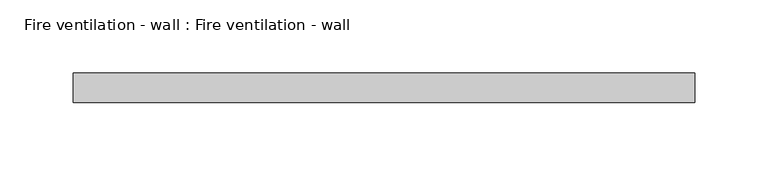
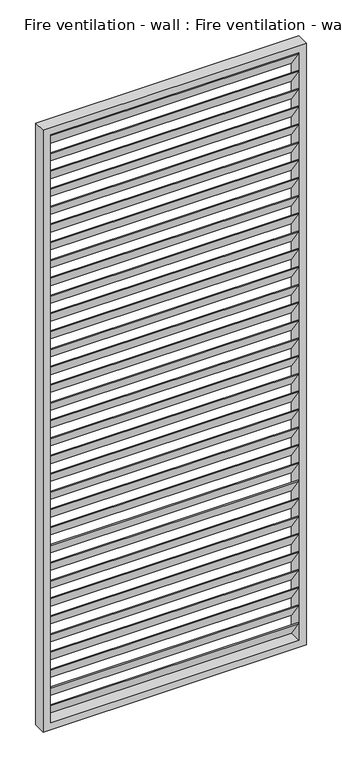
"""IFC4 building model written with IfcOpenShell, lengths in millimetres: proxy geometry, Fire ventilation - wall : Fire ventilation - wall."""

from ifc_helpers import new_model, si_unit, frame, origin, place, context, project, spatial, polyline, outline, extrude, source, transform, mapped, element, save


def fire_ventilation_wall_fire_ventilation_wall_8f12fa9f(model_context):
    return source(origin(), model_context, "Body", "SweptSolid", [
        extrude(outline(polyline([(82.5, 232.0463716), (82.5, 230.3029248), (62.5, 258.8658849), (62.5, 260.6093317), (82.5, 232.0463716)])), frame((-75.0, 0.0, 0.0), z_axis=(1.0, 0.0, 0.0), x_axis=(0.0, 1.0, 0.0)), (0.0, 0.0, 1.0), 400.0),
        extrude(outline(polyline([(82.5, 262.3492964), (82.5, 260.6058496), (62.5, 289.1688097), (62.5, 290.9122565), (82.5, 262.3492964)])), frame((-75.0, 0.0, 0.0), z_axis=(1.0, 0.0, 0.0), x_axis=(0.0, 1.0, 0.0)), (0.0, 0.0, 1.0), 400.0),
        extrude(outline(polyline([(82.5, 292.6522211), (82.5, 290.9087744), (62.5, 319.4717345), (62.5, 321.2151813), (82.5, 292.6522211)])), frame((-75.0, 0.0, 0.0), z_axis=(1.0, 0.0, 0.0), x_axis=(0.0, 1.0, 0.0)), (0.0, 0.0, 1.0), 400.0),
        extrude(outline(polyline([(82.5, 322.9551459), (82.5, 321.2116991), (62.5, 349.7746593), (62.5, 351.5181061), (82.5, 322.9551459)])), frame((-75.0, 0.0, 0.0), z_axis=(1.0, 0.0, 0.0), x_axis=(0.0, 1.0, 0.0)), (0.0, 0.0, 1.0), 400.0),
        extrude(outline(polyline([(82.5, 353.2580707), (82.5, 351.5146239), (62.5, 380.0775841), (62.5, 381.8210308), (82.5, 353.2580707)])), frame((-75.0, 0.0, 0.0), z_axis=(1.0, 0.0, 0.0), x_axis=(0.0, 1.0, 0.0)), (0.0, 0.0, 1.0), 400.0),
        extrude(outline(polyline([(82.5, 383.5609955), (82.5, 381.8175487), (62.5, 410.3805088), (62.5, 412.1239556), (82.5, 383.5609955)])), frame((-75.0, 0.0, 0.0), z_axis=(1.0, 0.0, 0.0), x_axis=(0.0, 1.0, 0.0)), (0.0, 0.0, 1.0), 400.0),
        extrude(outline(polyline([(82.5, 413.8639203), (82.5, 412.1204735), (62.5, 440.6834336), (62.5, 442.4268804), (82.5, 413.8639203)])), frame((-75.0, 0.0, 0.0), z_axis=(1.0, 0.0, 0.0), x_axis=(0.0, 1.0, 0.0)), (0.0, 0.0, 1.0), 400.0),
        extrude(outline(polyline([(82.5, 444.1668451), (82.5, 442.4233983), (62.5, 470.9863584), (62.5, 472.7298052), (82.5, 444.1668451)])), frame((-75.0, 0.0, 0.0), z_axis=(1.0, 0.0, 0.0), x_axis=(0.0, 1.0, 0.0)), (0.0, 0.0, 1.0), 400.0),
        extrude(outline(polyline([(82.5, 474.4697698), (82.5, 472.7263231), (62.5, 501.2892832), (62.5, 503.03273), (82.5, 474.4697698)])), frame((-75.0, 0.0, 0.0), z_axis=(1.0, 0.0, 0.0), x_axis=(0.0, 1.0, 0.0)), (0.0, 0.0, 1.0), 400.0),
        extrude(outline(polyline([(82.5, 504.7726946), (82.5, 503.0292478), (62.5, 531.592208), (62.5, 533.3356548), (82.5, 504.7726946)])), frame((-75.0, 0.0, 0.0), z_axis=(1.0, 0.0, 0.0), x_axis=(0.0, 1.0, 0.0)), (0.0, 0.0, 1.0), 400.0),
        extrude(outline(polyline([(82.5, 535.0756194), (82.5, 533.3321726), (62.5, 561.8951328), (62.5, 563.6385795), (82.5, 535.0756194)])), frame((-75.0, 0.0, 0.0), z_axis=(1.0, 0.0, 0.0), x_axis=(0.0, 1.0, 0.0)), (0.0, 0.0, 1.0), 400.0),
        extrude(outline(polyline([(82.5, 565.3785442), (82.5, 563.6350974), (62.5, 592.1980575), (62.5, 593.9415043), (82.5, 565.3785442)])), frame((-75.0, 0.0, 0.0), z_axis=(1.0, 0.0, 0.0), x_axis=(0.0, 1.0, 0.0)), (0.0, 0.0, 1.0), 400.0),
        extrude(outline(polyline([(82.5, 595.681469), (82.5, 593.9380222), (62.5, 622.5009823), (62.5, 624.2444291), (82.5, 595.681469)])), frame((-75.0, 0.0, 0.0), z_axis=(1.0, 0.0, 0.0), x_axis=(0.0, 1.0, 0.0)), (0.0, 0.0, 1.0), 400.0),
        extrude(outline(polyline([(82.5, 625.9843938), (82.5, 624.240947), (62.5, 652.8039071), (62.5, 654.5473539), (82.5, 625.9843938)])), frame((-75.0, 0.0, 0.0), z_axis=(1.0, 0.0, 0.0), x_axis=(0.0, 1.0, 0.0)), (0.0, 0.0, 1.0), 400.0),
        extrude(outline(polyline([(82.5, 656.2873185), (82.5, 654.5438718), (62.5, 683.1068319), (62.5, 684.8502787), (82.5, 656.2873185)])), frame((-75.0, 0.0, 0.0), z_axis=(1.0, 0.0, 0.0), x_axis=(0.0, 1.0, 0.0)), (0.0, 0.0, 1.0), 400.0),
        extrude(outline(polyline([(82.5, 686.5902433), (82.5, 684.8467965), (62.5, 713.4097567), (62.5, 715.1532035), (82.5, 686.5902433)])), frame((-75.0, 0.0, 0.0), z_axis=(1.0, 0.0, 0.0), x_axis=(0.0, 1.0, 0.0)), (0.0, 0.0, 1.0), 400.0),
        extrude(outline(polyline([(82.5, 716.8931681), (82.5, 715.1497213), (62.5, 743.7126815), (62.5, 745.4561282), (82.5, 716.8931681)])), frame((-75.0, 0.0, 0.0), z_axis=(1.0, 0.0, 0.0), x_axis=(0.0, 1.0, 0.0)), (0.0, 0.0, 1.0), 400.0),
        extrude(outline(polyline([(82.5, 747.1960929), (82.5, 745.4526461), (62.5, 774.0156062), (62.5, 775.759053), (82.5, 747.1960929)])), frame((-75.0, 0.0, 0.0), z_axis=(1.0, 0.0, 0.0), x_axis=(0.0, 1.0, 0.0)), (0.0, 0.0, 1.0), 400.0),
        extrude(outline(polyline([(82.5, 777.4990177), (82.5, 775.7555709), (62.5, 804.318531), (62.5, 806.0619778), (82.5, 777.4990177)])), frame((-75.0, 0.0, 0.0), z_axis=(1.0, 0.0, 0.0), x_axis=(0.0, 1.0, 0.0)), (0.0, 0.0, 1.0), 400.0),
        extrude(outline(polyline([(82.5, 807.8019425), (82.5, 806.0584957), (62.5, 834.6214558), (62.5, 836.3649026), (82.5, 807.8019425)])), frame((-75.0, 0.0, 0.0), z_axis=(1.0, 0.0, 0.0), x_axis=(0.0, 1.0, 0.0)), (0.0, 0.0, 1.0), 400.0),
        extrude(outline(polyline([(82.5, 838.1048672), (82.5, 836.3614205), (62.5, 864.9243806), (62.5, 866.6678274), (82.5, 838.1048672)])), frame((-75.0, 0.0, 0.0), z_axis=(1.0, 0.0, 0.0), x_axis=(0.0, 1.0, 0.0)), (0.0, 0.0, 1.0), 400.0),
        extrude(outline(polyline([(82.5, 868.407792), (82.5, 866.6643452), (62.5, 895.2273054), (62.5, 896.9707522), (82.5, 868.407792)])), frame((-75.0, 0.0, 0.0), z_axis=(1.0, 0.0, 0.0), x_axis=(0.0, 1.0, 0.0)), (0.0, 0.0, 1.0), 400.0),
        extrude(outline(polyline([(82.5, 898.7107168), (82.5, 896.96727), (62.5, 925.5302302), (62.5, 927.2736769), (82.5, 898.7107168)])), frame((-75.0, 0.0, 0.0), z_axis=(1.0, 0.0, 0.0), x_axis=(0.0, 1.0, 0.0)), (0.0, 0.0, 1.0), 400.0),
        extrude(outline(polyline([(82.5, 929.0136416), (82.5, 927.2701948), (62.5, 955.8331549), (62.5, 957.5766017), (82.5, 929.0136416)])), frame((-75.0, 0.0, 0.0), z_axis=(1.0, 0.0, 0.0), x_axis=(0.0, 1.0, 0.0)), (0.0, 0.0, 1.0), 400.0),
        extrude(outline(polyline([(82.5, 959.3165664), (82.5, 957.5731196), (62.5, 986.1360797), (62.5, 987.8795265), (82.5, 959.3165664)])), frame((-75.0, 0.0, 0.0), z_axis=(1.0, 0.0, 0.0), x_axis=(0.0, 1.0, 0.0)), (0.0, 0.0, 1.0), 400.0),
        extrude(outline(polyline([(82.5, 989.6194912), (82.5, 987.8760444), (62.5, 1016.4390045), (62.5, 1018.1824513), (82.5, 989.6194912)])), frame((-75.0, 0.0, 0.0), z_axis=(1.0, 0.0, 0.0), x_axis=(0.0, 1.0, 0.0)), (0.0, 0.0, 1.0), 400.0),
        extrude(outline(polyline([(82.5, 1019.9224159), (82.5, 1018.1789692), (62.5, 1046.7419293), (62.5, 1048.4853761), (82.5, 1019.9224159)])), frame((-75.0, 0.0, 0.0), z_axis=(1.0, 0.0, 0.0), x_axis=(0.0, 1.0, 0.0)), (0.0, 0.0, 1.0), 400.0),
        extrude(outline(polyline([(82.5, 1050.2253407), (82.5, 1048.4818939), (62.5, 1077.0448541), (62.5, 1078.7883009), (82.5, 1050.2253407)])), frame((-75.0, 0.0, 0.0), z_axis=(1.0, 0.0, 0.0), x_axis=(0.0, 1.0, 0.0)), (0.0, 0.0, 1.0), 400.0),
        extrude(outline(polyline([(82.5, 1080.5282655), (82.5, 1078.7848187), (62.5, 1107.3477789), (62.5, 1109.0912256), (82.5, 1080.5282655)])), frame((-75.0, 0.0, 0.0), z_axis=(1.0, 0.0, 0.0), x_axis=(0.0, 1.0, 0.0)), (0.0, 0.0, 1.0), 400.0),
        extrude(outline(polyline([(82.5, 1110.8311903), (82.5, 1109.0877435), (62.5, 1137.6507036), (62.5, 1139.3941504), (82.5, 1110.8311903)])), frame((-75.0, 0.0, 0.0), z_axis=(1.0, 0.0, 0.0), x_axis=(0.0, 1.0, 0.0)), (0.0, 0.0, 1.0), 400.0),
        extrude(outline(polyline([(82.5, 1141.1341151), (82.5, 1139.3906683), (62.5, 1167.9536284), (62.5, 1169.6970752), (82.5, 1141.1341151)])), frame((-75.0, 0.0, 0.0), z_axis=(1.0, 0.0, 0.0), x_axis=(0.0, 1.0, 0.0)), (0.0, 0.0, 1.0), 400.0),
        extrude(outline(polyline([(82.5, 201.7434468), (82.5, 200.0), (62.5, 228.5629601), (62.5, 230.3064069), (82.5, 201.7434468)])), frame((-75.0, 0.0, 0.0), z_axis=(1.0, 0.0, 0.0), x_axis=(0.0, 1.0, 0.0)), (0.0, 0.0, 1.0), 400.0),
        extrude(outline(polyline([(82.5, 1171.4370399), (82.5, 1169.6935931), (62.5, 1198.2565532), (62.5, 1200.0), (82.5, 1171.4370399)])), frame((-75.0, 0.0, 0.0), z_axis=(1.0, 0.0, 0.0), x_axis=(0.0, 1.0, 0.0)), (0.0, 0.0, 1.0), 400.0),
        extrude(outline(polyline([(1212.0, -87.0), (188.0, -87.0), (188.0, 337.0), (1212.0, 337.0), (1212.0, -87.0)]), holes=[polyline([(1200.0, -75.0), (1200.0, 325.0), (200.0, 325.0), (200.0, -75.0), (1200.0, -75.0)])]), frame((0.0, 62.5, 0.0), z_axis=(0.0, 1.0, 0.0), x_axis=(0.0, 0.0, 1.0)), (0.0, 0.0, 1.0), 20.0),
    ])


if __name__ == "__main__":
    model = new_model("IFC4")
    model_context = context("Model", 3, world=origin())
    ifc_project = project(units=[si_unit("LENGTHUNIT", "METRE", prefix="MILLI")], contexts=[model_context])
    site = spatial("IfcSite", under=ifc_project)
    building = spatial("IfcBuilding", under=site)
    placement = place(None, origin())
    fire_ventilation_wall_fire_ventilation_wall_shape = fire_ventilation_wall_fire_ventilation_wall_8f12fa9f(model_context)
    element("IfcBuildingElementProxy", 1, Name="Fire ventilation - wall : Fire ventilation - wall", ObjectType="Fire ventilation - wall : Fire ventilation - wall", at=placement, inside=building, context=model_context, shape_type="MappedRepresentation", body=[
        mapped(fire_ventilation_wall_fire_ventilation_wall_shape, transform((0.0, 0.0, 0.0), x_axis=(1.0, 0.0, 0.0), y_axis=(0.0, 1.0, 0.0), z_axis=(0.0, 0.0, 1.0))),
    ])
    save(model, "model.ifc")
